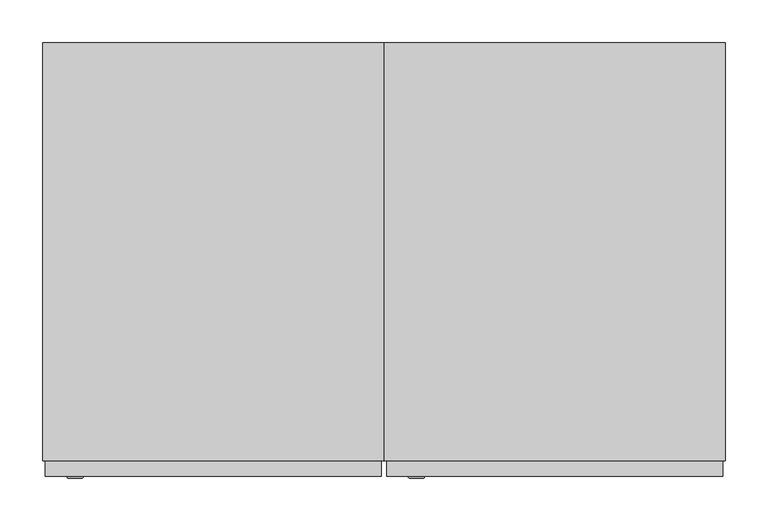
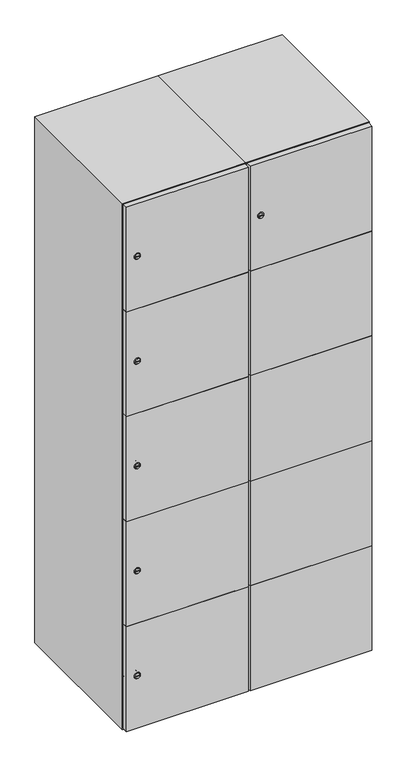
"""IFC4 building model written with IfcOpenShell, lengths in millimetres: furniture geometry."""

import ifcopenshell
import ifcopenshell.guid

model = None  # the IFC model being written
_history = None  # IfcOwnerHistory: only IFC2X3 demands one
_inside = {}  # id of a spatial element -> (the spatial element, [elements in it])
_under = {}  # id of a project, library or spatial element -> (it, [spatial elements below it])
_declared = {}  # id of a project -> (the project, [libraries it declares])
_typed = {}  # id of a type object -> (the type object, [elements of that type])
_made_of = {}  # id of a material, layer set ... -> (it, [elements and type objects made of it])


def new_model(schema):
    """Start an empty IFC model of exactly this schema.

    Asked for "IFC4X3", IfcOpenShell would pick the latest addendum, in which some entities
    have other attributes; the version numbers below select the first issue.
    IFC2X3 requires an IfcOwnerHistory on every rooted entity: one is made here for all.
    """
    global model, _history
    if schema == "IFC4X3":
        model = ifcopenshell.file(schema_version=(4, 3, 0, 0))
    else:
        model = ifcopenshell.file(schema=schema)
    _inside.clear()
    _under.clear()
    _declared.clear()
    _typed.clear()
    _made_of.clear()
    _history = None
    if model.schema == "IFC2X3":
        org = make("IfcOrganization", Name="unknown")
        user = make(
            "IfcPersonAndOrganization",
            ThePerson=make("IfcPerson", FamilyName="unknown"),
            TheOrganization=org,
        )
        app = make(
            "IfcApplication",
            ApplicationDeveloper=org,
            Version="unknown",
            ApplicationFullName="unknown",
            ApplicationIdentifier="unknown",
        )
        _history = make(
            "IfcOwnerHistory",
            OwningUser=user,
            OwningApplication=app,
            ChangeAction="ADDED",
            CreationDate=0,
        )
    return model


def make(cls, **values):
    """One entity of the class cls with the attributes given. An attribute that is None is left unset."""
    return model.create_entity(
        cls, **{name: value for name, value in values.items() if value is not None}
    )


def rooted(cls, **values):
    """An entity with a GlobalId (a new one), such as an element, a storey or a relation."""
    return make(cls, GlobalId=ifcopenshell.guid.new(), OwnerHistory=_history, **values)


def si_unit(unit_type, name, prefix=None):
    """IfcSIUnit, for example si_unit("LENGTHUNIT", "METRE", prefix="MILLI")."""
    return make("IfcSIUnit", UnitType=unit_type, Prefix=prefix, Name=name)


def assignment(units):
    """IfcUnitAssignment: the units of a project."""
    return None if units is None else make("IfcUnitAssignment", Units=units)


def point(xyz):
    """IfcCartesianPoint."""
    return None if xyz is None else make("IfcCartesianPoint", Coordinates=xyz)


def direction(xyz):
    """IfcDirection."""
    return None if xyz is None else make("IfcDirection", DirectionRatios=xyz)


def frame(location, z_axis=None, x_axis=None):
    """IfcAxis2Placement3D, a coordinate frame: its origin and axes. An axis left out is left unset."""
    return make(
        "IfcAxis2Placement3D",
        Location=point(location),
        Axis=direction(z_axis),
        RefDirection=direction(x_axis),
    )


def frame_2d(location, x_axis=None):
    """IfcAxis2Placement2D, a coordinate frame in the plane: its origin and x axis."""
    return make(
        "IfcAxis2Placement2D", Location=point(location), RefDirection=direction(x_axis)
    )


def origin():
    """The frame at (0, 0, 0) with its axes left unset."""
    return frame((0.0, 0.0, 0.0))


def place(relative_to, where):
    """IfcLocalPlacement: puts the frame where relative to a parent placement (None: the world)."""
    return make(
        "IfcLocalPlacement", PlacementRelTo=relative_to, RelativePlacement=where
    )


def context(
    kind, dimensions, precision=None, world=None, true_north=None, identifier=None
):
    """IfcGeometricRepresentationContext, for example the 3D "Model" context."""
    return make(
        "IfcGeometricRepresentationContext",
        ContextIdentifier=identifier,
        ContextType=kind,
        CoordinateSpaceDimension=dimensions,
        Precision=precision,
        WorldCoordinateSystem=world,
        TrueNorth=true_north,
    )


def project(units=None, contexts=None):
    """IfcProject with its units and contexts."""
    return rooted(
        "IfcProject",
        Name="project",
        RepresentationContexts=contexts,
        UnitsInContext=assignment(units),
    )


def spatial(cls, under=None, at=None, **own):
    """A site, building, storey or space (cls), placed at a placement, below another one or the project."""
    s = rooted(cls, ObjectPlacement=at, **own)
    if under is not None:
        _under.setdefault(under.id(), (under, []))[1].append(s)
    return s


def polyline(points):
    """IfcPolyline through the points."""
    return make("IfcPolyline", Points=[point(p) for p in points])


def circle_curve(where, radius):
    """IfcCircle in the frame where."""
    return make("IfcCircle", Position=where, Radius=radius)


def trimmed(basis, trim1, trim2, sense, master):
    """IfcTrimmedCurve: the piece of a basis curve between two trims."""
    return make(
        "IfcTrimmedCurve",
        BasisCurve=basis,
        Trim1=trim1,
        Trim2=trim2,
        SenseAgreement=sense,
        MasterRepresentation=master,
    )


def segment(curve, same_sense, transition):
    """IfcCompositeCurveSegment."""
    return make(
        "IfcCompositeCurveSegment",
        Transition=transition,
        SameSense=same_sense,
        ParentCurve=curve,
    )


def composite_curve(segments, self_intersect=None):
    """IfcCompositeCurve: segments joined end to end."""
    return make("IfcCompositeCurve", Segments=segments, SelfIntersect=self_intersect)


def outline(outer, holes=None, kind="AREA"):
    """IfcArbitraryClosedProfileDef: a profile drawn as a closed curve; with holes, ...WithVoids."""
    if holes is None:
        return make("IfcArbitraryClosedProfileDef", ProfileType=kind, OuterCurve=outer)
    return make(
        "IfcArbitraryProfileDefWithVoids",
        ProfileType=kind,
        OuterCurve=outer,
        InnerCurves=holes,
    )


def extrude(swept, where, along, depth):
    """IfcExtrudedAreaSolid: the profile swept, set in the frame where, extruded along a direction by depth."""
    return make(
        "IfcExtrudedAreaSolid",
        SweptArea=swept,
        Position=where,
        ExtrudedDirection=direction(along),
        Depth=depth,
    )


def faces_of(points, faces, orient=None, outer=None):
    """IfcFace entities. A face is a list of loops; a loop is a list of indices into points, from 0.

    orient and outer hold one flag for each loop. By default every Orientation is true, the
    first loop of a face is its IfcFaceOuterBound and the others are IfcFaceBound.
    """
    made = []
    for i, loops in enumerate(faces):
        bounds = []
        for j, loop in enumerate(loops):
            is_outer = j == 0 if outer is None else outer[i][j]
            bounds.append(
                make(
                    "IfcFaceOuterBound" if is_outer else "IfcFaceBound",
                    Bound=make("IfcPolyLoop", Polygon=[points[k] for k in loop]),
                    Orientation=True if orient is None else orient[i][j],
                )
            )
        made.append(make("IfcFace", Bounds=bounds))
    return made


def faceted_brep(points, faces, orient=None, outer=None, voids=None):
    """IfcFacetedBrep: a solid bounded by flat faces; with voids (closed shells), ...WithVoids."""
    shared = [point(p) for p in points]
    hull = make("IfcClosedShell", CfsFaces=faces_of(shared, faces, orient, outer))
    if voids is None:
        return make("IfcFacetedBrep", Outer=hull)
    return make(
        "IfcFacetedBrepWithVoids",
        Outer=hull,
        Voids=[
            make(cls, CfsFaces=faces_of(shared, fs, o, b)) for cls, fs, o, b in voids
        ],
    )


def shape(context_of_items, identifier, shape_type, items):
    """IfcShapeRepresentation: the items that make up one representation, for example the "Body"."""
    return make(
        "IfcShapeRepresentation",
        ContextOfItems=context_of_items,
        RepresentationIdentifier=identifier,
        RepresentationType=shape_type,
        Items=items,
    )


def source(mapping_origin, context_of_items, identifier, shape_type, items):
    """IfcRepresentationMap: a shape defined once, which mapped items show again and again."""
    return make(
        "IfcRepresentationMap",
        MappingOrigin=mapping_origin,
        MappedRepresentation=shape(context_of_items, identifier, shape_type, items),
    )


def transform(
    local_origin,
    x_axis=None,
    y_axis=None,
    z_axis=None,
    scale=None,
    scale2=None,
    scale3=None,
    uniform=True,
):
    """IfcCartesianTransformationOperator3D, or its non-uniform kind. x_axis, y_axis, z_axis: its Axis1, 2, 3."""
    if uniform:
        return make(
            "IfcCartesianTransformationOperator3D",
            Axis1=direction(x_axis),
            Axis2=direction(y_axis),
            LocalOrigin=point(local_origin),
            Scale=scale,
            Axis3=direction(z_axis),
        )
    return make(
        "IfcCartesianTransformationOperator3DnonUniform",
        Axis1=direction(x_axis),
        Axis2=direction(y_axis),
        LocalOrigin=point(local_origin),
        Scale=scale,
        Axis3=direction(z_axis),
        Scale2=scale2,
        Scale3=scale3,
    )


def mapped(mapping_source, mapping_target):
    """IfcMappedItem: shows the shape of a source again, moved by a transform."""
    return make(
        "IfcMappedItem", MappingSource=mapping_source, MappingTarget=mapping_target
    )


def made_of(thing, what):
    """Note that an element or type object is made of a material, layer set ...; save() writes the relation."""
    if what is not None:
        _made_of.setdefault(what.id(), (what, []))[1].append(thing)
    return thing


def element(
    cls,
    number,
    at=None,
    inside=None,
    cuts=None,
    type_object=None,
    material=None,
    context=None,
    identifier="Body",
    shape_type=None,
    held_by="IfcProductDefinitionShape",
    body=None,
    shapes=None,
    **own,
):
    """One element of the class cls, such as IfcWall. Its Tag is "e" and its number.

    at: its placement. inside: the storey or other place that contains it. cuts: it is an
    opening in that element (IfcRelVoidsElement). A single representation is given by context,
    identifier, shape_type and body (its items); several are given by shapes. held_by: the class
    of the entity that holds the representations. save() writes the other relations.
    """
    e = rooted(cls, Tag="e%d" % number, ObjectPlacement=at, **own)
    if body is not None:
        shapes = [shape(context, identifier, shape_type, body)]
    if shapes is not None:
        e.Representation = make(held_by, Representations=shapes)
    if inside is not None:
        _inside.setdefault(inside.id(), (inside, []))[1].append(e)
    if cuts is not None:
        rooted(
            "IfcRelVoidsElement", RelatingBuildingElement=cuts, RelatedOpeningElement=e
        )
    if type_object is not None:
        _typed.setdefault(type_object.id(), (type_object, []))[1].append(e)
    return made_of(e, material)


def aggregate(whole, parts):
    """IfcRelAggregates: a whole, such as a stair, and the parts it consists of."""
    return rooted("IfcRelAggregates", RelatingObject=whole, RelatedObjects=parts)


def save(model, path):
    """Write the relations noted so far, then the file.

    IfcRelAggregates (storeys below a building ...), IfcRelContainedInSpatialStructure (elements
    in a storey), IfcRelDefinesByType, IfcRelAssociatesMaterial and IfcRelDeclares: one each for
    every whole, place, type object, material and project.
    """
    for whole, parts in _under.values():
        aggregate(whole, parts)
    for where, things in _inside.values():
        rooted(
            "IfcRelContainedInSpatialStructure",
            RelatedElements=things,
            RelatingStructure=where,
        )
    for kind, things in _typed.values():
        rooted("IfcRelDefinesByType", RelatedObjects=things, RelatingType=kind)
    for what, things in _made_of.values():
        rooted("IfcRelAssociatesMaterial", RelatedObjects=things, RelatingMaterial=what)
    for by, libraries in _declared.values():
        rooted("IfcRelDeclares", RelatingContext=by, RelatedDefinitions=libraries)
    model.write(path)


def plane_surface(at):
    """IfcPlane: the flat surface through the origin of the frame at, square to its z axis."""
    return make("IfcPlane", Position=at)


def revolved_surface(curve, axis_point, axis_direction):
    """IfcSurfaceOfRevolution: the curve turned about the line through axis_point along axis_direction."""
    return make(
        "IfcSurfaceOfRevolution",
        SweptCurve=make("IfcArbitraryOpenProfileDef", ProfileType="CURVE", Curve=curve),
        AxisPosition=make("IfcAxis1Placement", Location=point(axis_point), Axis=direction(axis_direction)),
    )


def advanced_brep(points, edges, surfaces, faces):
    """IfcAdvancedBrep: a solid bounded by faces that lie on surfaces and meet in shared edges.

    An edge is (start, end): straight between two places in points (the first is 0);
    or (start, end, curve); or (start, end, curve, False) where it runs against its curve.
    A face is (place in surfaces, loops), or (place, loops, False) where it looks against
    its surface's normal. A loop lists edges by number (the first is 1), with a minus sign
    where the edge is run from its end to its start. The first loop is the outer one.
    """
    corners = [point(p) for p in points]
    vertices = [make("IfcVertexPoint", VertexGeometry=c) for c in corners]
    made = []
    for start, end, *more in edges:
        made.append(
            make(
                "IfcEdgeCurve",
                EdgeStart=vertices[start],
                EdgeEnd=vertices[end],
                EdgeGeometry=more[0] if more else make("IfcPolyline", Points=[corners[start], corners[end]]),
                SameSense=more[1] if len(more) > 1 else True,
            )
        )
    hull = []
    for where, loops, *sense in faces:
        bounds = []
        for j, loop in enumerate(loops):
            ring = [make("IfcOrientedEdge", EdgeElement=made[abs(k) - 1], Orientation=k > 0) for k in loop]
            bounds.append(
                make(
                    "IfcFaceOuterBound" if j == 0 else "IfcFaceBound",
                    Bound=make("IfcEdgeLoop", EdgeList=ring),
                    Orientation=True,
                )
            )
        hull.append(make("IfcAdvancedFace", Bounds=bounds, FaceSurface=surfaces[where], SameSense=sense[0] if sense else True))
    return make("IfcAdvancedBrep", Outer=make("IfcClosedShell", CfsFaces=hull))


def furniture_1348bd7e(model_context):
    return source(origin(), model_context, "Body", "SolidModel", [
        advanced_brep(
        [(246.5, -265.2, 1652.6), (229.5, -265.2, 1652.6), (233.0, -265.2, 1651.35), (233.0, -265.2, 1653.85), (243.0, -265.2, 1653.85), (243.0, -265.2, 1651.35), (248.5, -263.0, 1652.6), (227.5, -263.0, 1652.6), (233.0, -263.0, 1653.85), (233.0, -263.0, 1651.35), (243.0, -263.0, 1651.35), (243.0, -263.0, 1653.85)],
        [
            (0, 1, circle_curve(frame((238.0, -265.2, 1652.6), z_axis=(0.0, -1.0, 0.0), x_axis=(1.0, 0.0, 0.0)), 8.5)),
            (1, 0, circle_curve(frame((238.0, -265.2, 1652.6), z_axis=(0.0, -1.0, 0.0), x_axis=(-1.0, 0.0, 0.0)), 8.5)),
            (2, 3),
            (3, 4),
            (4, 5),
            (5, 2),
            (6, 7, circle_curve(frame((238.0, -263.0, 1652.6), z_axis=(0.0, 1.0, 0.0), x_axis=(-1.0, 0.0, 0.0)), 10.5)),
            (7, 6, circle_curve(frame((238.0, -263.0, 1652.6), z_axis=(0.0, 1.0, 0.0), x_axis=(1.0, 0.0, 0.0)), 10.5)),
            (8, 9),
            (9, 10),
            (10, 11),
            (11, 8),
            (0, 6),
            (7, 1),
            (8, 3),
            (2, 9),
            (11, 4),
            (10, 5),
        ],
        [
            plane_surface(frame((238.0, -265.2, 1652.6), z_axis=(0.0, -1.0, 0.0), x_axis=(0.0, 0.0, 1.0))),
            plane_surface(frame((238.0, -263.0, 1652.6), z_axis=(0.0, 1.0, 0.0), x_axis=(0.0, 0.0, 1.0))),
            revolved_surface(polyline([(246.5, -265.2, 1652.6), (248.5, -263.0, 1652.6)]), (238.0, -274.55, 1652.6), (0.0, 1.0, 0.0)),
            revolved_surface(polyline([(229.5, -265.2, 1652.6), (227.5, -263.0, 1652.6)]), (238.0, -274.55, 1652.6), (0.0, 1.0, 0.0)),
            plane_surface(frame((233.0, -263.0, 1651.35), z_axis=(1.0, 0.0, 0.0), x_axis=(0.0, -1.0, 0.0))),
            plane_surface(frame((233.0, -263.0, 1653.85), z_axis=(0.0, 0.0, -1.0), x_axis=(0.0, -1.0, 0.0))),
            plane_surface(frame((243.0, -263.0, 1653.85), z_axis=(-1.0, 0.0, 0.0), x_axis=(0.0, -1.0, 0.0))),
            plane_surface(frame((243.0, -263.0, 1651.35), z_axis=(0.0, 0.0, 1.0), x_axis=(0.0, -1.0, 0.0))),
        ],
        [
            (0, [[1, 2], [3, 4, 5, 6]]),
            (1, [[7, 8], [9, 10, 11, 12]]),
            (2, [[-1, 13, -8, 14]]),
            (3, [[-2, -14, -7, -13]]),
            (4, [[15, -3, 16, -9]]),
            (5, [[-15, -12, 17, -4]]),
            (6, [[-17, -11, 18, -5]]),
            (7, [[-16, -6, -18, -10]]),
        ],
    ),
        extrude(outline(polyline([(597.0, -245.0), (597.0, -263.0), (203.0, -263.0), (203.0, -245.0), (597.0, -245.0)])), frame((0.0, 0.0, 755.1), z_axis=(0.0, 0.0, 1.0), x_axis=(1.0, 0.0, 0.0)), (0.0, 0.0, 1.0), 359.8),
        extrude(outline(polyline([(597.0, -245.0), (597.0, -263.0), (203.0, -263.0), (203.0, -245.0), (597.0, -245.0)])), frame((0.0, 0.0, 396.3), z_axis=(0.0, 0.0, 1.0), x_axis=(1.0, 0.0, 0.0)), (0.0, 0.0, 1.0), 359.8),
        extrude(outline(polyline([(597.0, -245.0), (597.0, -263.0), (203.0, -263.0), (203.0, -245.0), (597.0, -245.0)])), frame((0.0, 0.0, 1113.9), z_axis=(0.0, 0.0, 1.0), x_axis=(1.0, 0.0, 0.0)), (0.0, 0.0, 1.0), 358.8),
        extrude(outline(polyline([(203.0, -263.0), (203.0, -245.0), (597.0, -245.0), (597.0, -263.0), (203.0, -263.0)])), frame((0.0, 0.0, 1473.7), z_axis=(0.0, 0.0, 1.0), x_axis=(1.0, 0.0, 0.0)), (0.0, 0.0, 1.0), 358.3),
        extrude(outline(polyline([(597.0, -245.0), (597.0, -263.0), (203.0, -263.0), (203.0, -245.0), (597.0, -245.0)])), frame((0.0, 0.0, 38.0), z_axis=(0.0, 0.0, 1.0), x_axis=(1.0, 0.0, 0.0)), (0.0, 0.0, 1.0), 359.3),
        extrude(outline(polyline([(579.6, 242.0), (579.6, -227.0), (220.4, -227.0), (220.4, 242.0), (579.6, 242.0)])), frame((0.0, 0.0, 1446.68), z_axis=(0.0, 0.0, 1.0), x_axis=(1.0, 0.0, 0.0)), (0.0, 0.0, 1.0), 20.4),
        extrude(outline(polyline([(579.6, 242.0), (579.6, -227.0), (220.4, -227.0), (220.4, 242.0), (579.6, 242.0)])), frame((0.0, 0.0, 1098.76), z_axis=(0.0, 0.0, 1.0), x_axis=(1.0, 0.0, 0.0)), (0.0, 0.0, 1.0), 20.4),
        extrude(outline(polyline([(579.6, 242.0), (579.6, -227.0), (220.4, -227.0), (220.4, 242.0), (579.6, 242.0)])), frame((0.0, 0.0, 750.84), z_axis=(0.0, 0.0, 1.0), x_axis=(1.0, 0.0, 0.0)), (0.0, 0.0, 1.0), 20.4),
        extrude(outline(polyline([(220.4, 242.0), (579.6, 242.0), (579.6, -227.0), (220.4, -227.0), (220.4, 242.0)])), frame((0.0, 0.0, 402.92), z_axis=(0.0, 0.0, 1.0), x_axis=(1.0, 0.0, 0.0)), (0.0, 0.0, 1.0), 20.4),
        faceted_brep([(600.0, -245.0, 35.0), (600.0, -245.0, 1835.0), (200.0, -245.0, 1835.0), (200.0, -245.0, 35.0), (579.6, -245.0, 1804.8), (579.6, -245.0, 65.2), (220.4, -245.0, 65.2), (220.4, -245.0, 1804.8), (600.0, 245.0, 35.0), (200.0, 245.0, 35.0), (600.0, 245.0, 1835.0), (200.0, 245.0, 1835.0), (579.6, 242.0, 1804.8), (579.6, 242.0, 65.2), (200.0, 245.0, 1804.8), (220.4, 242.0, 1804.8), (220.4, 242.0, 65.2)], [[[0, 1, 2, 3], [4, 5, 6, 7]], [[8, 0, 3, 9]], [[1, 0, 8, 10]], [[1, 10, 11, 2]], [[4, 12, 13, 5]], [[9, 3, 2, 11, 14]], [[10, 8, 9, 14, 11]], [[12, 15, 16, 13]], [[15, 7, 6, 16]], [[4, 7, 15, 12]], [[6, 5, 13, 16]]]),
        extrude(outline(composite_curve([segment(trimmed(circle_curve(frame_2d((217.4, -188.7989466)), 7.0), [point((224.4, -188.7989466))], [point((210.4, -188.7989466))], False, "CARTESIAN"), True, "CONTINUOUS"), segment(polyline([(210.4, -188.7989466), (210.4, -160.7989466)]), True, "CONTINUOUS"), segment(trimmed(circle_curve(frame_2d((217.4, -160.7989466)), 7.0), [point((210.4, -160.7989466))], [point((224.4, -160.7989466))], False, "CARTESIAN"), True, "CONTINUOUS"), segment(polyline([(224.4, -160.7989466), (224.4, -188.7989466)]), True, "CONTINUOUS")], self_intersect=False)), frame((0.0, -245.0, 0.0), z_axis=(0.0, 1.0, 0.0), x_axis=(0.0, 0.0, 1.0)), (0.0, 0.0, 1.0), 2.0),
        advanced_brep(
        [(-153.5, -265.2, 217.4), (-170.5, -265.2, 217.4), (-167.0, -265.2, 216.15), (-167.0, -265.2, 218.65), (-157.0, -265.2, 218.65), (-157.0, -265.2, 216.15), (-151.5, -263.0, 217.4), (-172.5, -263.0, 217.4), (-167.0, -263.0, 218.65), (-167.0, -263.0, 216.15), (-157.0, -263.0, 216.15), (-157.0, -263.0, 218.65)],
        [
            (0, 1, circle_curve(frame((-162.0, -265.2, 217.4), z_axis=(0.0, -1.0, 0.0), x_axis=(1.0, 0.0, 0.0)), 8.5)),
            (1, 0, circle_curve(frame((-162.0, -265.2, 217.4), z_axis=(0.0, -1.0, 0.0), x_axis=(-1.0, 0.0, 0.0)), 8.5)),
            (2, 3),
            (3, 4),
            (4, 5),
            (5, 2),
            (6, 7, circle_curve(frame((-162.0, -263.0, 217.4), z_axis=(0.0, 1.0, 0.0), x_axis=(-1.0, 0.0, 0.0)), 10.5)),
            (7, 6, circle_curve(frame((-162.0, -263.0, 217.4), z_axis=(0.0, 1.0, 0.0), x_axis=(1.0, 0.0, 0.0)), 10.5)),
            (8, 9),
            (9, 10),
            (10, 11),
            (11, 8),
            (0, 6),
            (7, 1),
            (8, 3),
            (2, 9),
            (11, 4),
            (10, 5),
        ],
        [
            plane_surface(frame((-162.0, -265.2, 217.4), z_axis=(0.0, -1.0, 0.0), x_axis=(0.0, 0.0, 1.0))),
            plane_surface(frame((-162.0, -263.0, 217.4), z_axis=(0.0, 1.0, 0.0), x_axis=(0.0, 0.0, 1.0))),
            revolved_surface(polyline([(-153.5, -265.2, 217.4), (-151.5, -263.0, 217.4)]), (-162.0, -274.55, 217.4), (0.0, 1.0, 0.0)),
            revolved_surface(polyline([(-170.5, -265.2, 217.4), (-172.5, -263.0, 217.4)]), (-162.0, -274.55, 217.4), (0.0, 1.0, 0.0)),
            plane_surface(frame((-167.0, -263.0, 216.15), z_axis=(1.0, 0.0, 0.0), x_axis=(0.0, -1.0, 0.0))),
            plane_surface(frame((-167.0, -263.0, 218.65), z_axis=(0.0, 0.0, -1.0), x_axis=(0.0, -1.0, 0.0))),
            plane_surface(frame((-157.0, -263.0, 218.65), z_axis=(-1.0, 0.0, 0.0), x_axis=(0.0, -1.0, 0.0))),
            plane_surface(frame((-157.0, -263.0, 216.15), z_axis=(0.0, 0.0, 1.0), x_axis=(0.0, -1.0, 0.0))),
        ],
        [
            (0, [[1, 2], [3, 4, 5, 6]]),
            (1, [[7, 8], [9, 10, 11, 12]]),
            (2, [[-1, 13, -8, 14]]),
            (3, [[-2, -14, -7, -13]]),
            (4, [[15, -3, 16, -9]]),
            (5, [[-15, -12, 17, -4]]),
            (6, [[-17, -11, 18, -5]]),
            (7, [[-16, -6, -18, -10]]),
        ],
    ),
        extrude(outline(composite_curve([segment(trimmed(circle_curve(frame_2d((576.2, -188.7989466)), 7.0), [point((583.2, -188.7989466))], [point((569.2, -188.7989466))], False, "CARTESIAN"), True, "CONTINUOUS"), segment(polyline([(569.2, -188.7989466), (569.2, -160.7989466)]), True, "CONTINUOUS"), segment(trimmed(circle_curve(frame_2d((576.2, -160.7989466)), 7.0), [point((569.2, -160.7989466))], [point((583.2, -160.7989466))], False, "CARTESIAN"), True, "CONTINUOUS"), segment(polyline([(583.2, -160.7989466), (583.2, -188.7989466)]), True, "CONTINUOUS")], self_intersect=False)), frame((0.0, -245.0, 0.0), z_axis=(0.0, 1.0, 0.0), x_axis=(0.0, 0.0, 1.0)), (0.0, 0.0, 1.0), 2.0),
        advanced_brep(
        [(-153.5, -265.2, 576.2), (-170.5, -265.2, 576.2), (-167.0, -265.2, 574.95), (-167.0, -265.2, 577.45), (-157.0, -265.2, 577.45), (-157.0, -265.2, 574.95), (-151.5, -263.0, 576.2), (-172.5, -263.0, 576.2), (-167.0, -263.0, 577.45), (-167.0, -263.0, 574.95), (-157.0, -263.0, 574.95), (-157.0, -263.0, 577.45)],
        [
            (0, 1, circle_curve(frame((-162.0, -265.2, 576.2), z_axis=(0.0, -1.0, 0.0), x_axis=(1.0, 0.0, 0.0)), 8.5)),
            (1, 0, circle_curve(frame((-162.0, -265.2, 576.2), z_axis=(0.0, -1.0, 0.0), x_axis=(-1.0, 0.0, 0.0)), 8.5)),
            (2, 3),
            (3, 4),
            (4, 5),
            (5, 2),
            (6, 7, circle_curve(frame((-162.0, -263.0, 576.2), z_axis=(0.0, 1.0, 0.0), x_axis=(-1.0, 0.0, 0.0)), 10.5)),
            (7, 6, circle_curve(frame((-162.0, -263.0, 576.2), z_axis=(0.0, 1.0, 0.0), x_axis=(1.0, 0.0, 0.0)), 10.5)),
            (8, 9),
            (9, 10),
            (10, 11),
            (11, 8),
            (0, 6),
            (7, 1),
            (8, 3),
            (2, 9),
            (11, 4),
            (10, 5),
        ],
        [
            plane_surface(frame((-162.0, -265.2, 576.2), z_axis=(0.0, -1.0, 0.0), x_axis=(0.0, 0.0, 1.0))),
            plane_surface(frame((-162.0, -263.0, 576.2), z_axis=(0.0, 1.0, 0.0), x_axis=(0.0, 0.0, 1.0))),
            revolved_surface(polyline([(-153.5, -265.2, 576.2), (-151.5, -263.0, 576.2)]), (-162.0, -274.55, 576.2), (0.0, 1.0, 0.0)),
            revolved_surface(polyline([(-170.5, -265.2, 576.2), (-172.5, -263.0, 576.2)]), (-162.0, -274.55, 576.2), (0.0, 1.0, 0.0)),
            plane_surface(frame((-167.0, -263.0, 574.95), z_axis=(1.0, 0.0, 0.0), x_axis=(0.0, -1.0, 0.0))),
            plane_surface(frame((-167.0, -263.0, 577.45), z_axis=(0.0, 0.0, -1.0), x_axis=(0.0, -1.0, 0.0))),
            plane_surface(frame((-157.0, -263.0, 577.45), z_axis=(-1.0, 0.0, 0.0), x_axis=(0.0, -1.0, 0.0))),
            plane_surface(frame((-157.0, -263.0, 574.95), z_axis=(0.0, 0.0, 1.0), x_axis=(0.0, -1.0, 0.0))),
        ],
        [
            (0, [[1, 2], [3, 4, 5, 6]]),
            (1, [[7, 8], [9, 10, 11, 12]]),
            (2, [[-1, 13, -8, 14]]),
            (3, [[-2, -14, -7, -13]]),
            (4, [[15, -3, 16, -9]]),
            (5, [[-15, -12, 17, -4]]),
            (6, [[-17, -11, 18, -5]]),
            (7, [[-16, -6, -18, -10]]),
        ],
    ),
        extrude(outline(composite_curve([segment(trimmed(circle_curve(frame_2d((935.0, -188.7989466)), 7.0), [point((942.0, -188.7989466))], [point((928.0, -188.7989466))], False, "CARTESIAN"), True, "CONTINUOUS"), segment(polyline([(928.0, -188.7989466), (928.0, -160.7989466)]), True, "CONTINUOUS"), segment(trimmed(circle_curve(frame_2d((935.0, -160.7989466)), 7.0), [point((928.0, -160.7989466))], [point((942.0, -160.7989466))], False, "CARTESIAN"), True, "CONTINUOUS"), segment(polyline([(942.0, -160.7989466), (942.0, -188.7989466)]), True, "CONTINUOUS")], self_intersect=False)), frame((0.0, -245.0, 0.0), z_axis=(0.0, 1.0, 0.0), x_axis=(0.0, 0.0, 1.0)), (0.0, 0.0, 1.0), 2.0),
        advanced_brep(
        [(-153.5, -265.2, 935.0), (-170.5, -265.2, 935.0), (-167.0, -265.2, 933.75), (-167.0, -265.2, 936.25), (-157.0, -265.2, 936.25), (-157.0, -265.2, 933.75), (-151.5, -263.0, 935.0), (-172.5, -263.0, 935.0), (-167.0, -263.0, 936.25), (-167.0, -263.0, 933.75), (-157.0, -263.0, 933.75), (-157.0, -263.0, 936.25)],
        [
            (0, 1, circle_curve(frame((-162.0, -265.2, 935.0), z_axis=(0.0, -1.0, 0.0), x_axis=(1.0, 0.0, 0.0)), 8.5)),
            (1, 0, circle_curve(frame((-162.0, -265.2, 935.0), z_axis=(0.0, -1.0, 0.0), x_axis=(-1.0, 0.0, 0.0)), 8.5)),
            (2, 3),
            (3, 4),
            (4, 5),
            (5, 2),
            (6, 7, circle_curve(frame((-162.0, -263.0, 935.0), z_axis=(0.0, 1.0, 0.0), x_axis=(-1.0, 0.0, 0.0)), 10.5)),
            (7, 6, circle_curve(frame((-162.0, -263.0, 935.0), z_axis=(0.0, 1.0, 0.0), x_axis=(1.0, 0.0, 0.0)), 10.5)),
            (8, 9),
            (9, 10),
            (10, 11),
            (11, 8),
            (0, 6),
            (7, 1),
            (8, 3),
            (2, 9),
            (11, 4),
            (10, 5),
        ],
        [
            plane_surface(frame((-162.0, -265.2, 935.0), z_axis=(0.0, -1.0, 0.0), x_axis=(0.0, 0.0, 1.0))),
            plane_surface(frame((-162.0, -263.0, 935.0), z_axis=(0.0, 1.0, 0.0), x_axis=(0.0, 0.0, 1.0))),
            revolved_surface(polyline([(-153.5, -265.2, 935.0), (-151.5, -263.0, 935.0)]), (-162.0, -274.55, 935.0), (0.0, 1.0, 0.0)),
            revolved_surface(polyline([(-170.5, -265.2, 935.0), (-172.5, -263.0, 935.0)]), (-162.0, -274.55, 935.0), (0.0, 1.0, 0.0)),
            plane_surface(frame((-167.0, -263.0, 933.75), z_axis=(1.0, 0.0, 0.0), x_axis=(0.0, -1.0, 0.0))),
            plane_surface(frame((-167.0, -263.0, 936.25), z_axis=(0.0, 0.0, -1.0), x_axis=(0.0, -1.0, 0.0))),
            plane_surface(frame((-157.0, -263.0, 936.25), z_axis=(-1.0, 0.0, 0.0), x_axis=(0.0, -1.0, 0.0))),
            plane_surface(frame((-157.0, -263.0, 933.75), z_axis=(0.0, 0.0, 1.0), x_axis=(0.0, -1.0, 0.0))),
        ],
        [
            (0, [[1, 2], [3, 4, 5, 6]]),
            (1, [[7, 8], [9, 10, 11, 12]]),
            (2, [[-1, 13, -8, 14]]),
            (3, [[-2, -14, -7, -13]]),
            (4, [[15, -3, 16, -9]]),
            (5, [[-15, -12, 17, -4]]),
            (6, [[-17, -11, 18, -5]]),
            (7, [[-16, -6, -18, -10]]),
        ],
    ),
        extrude(outline(composite_curve([segment(trimmed(circle_curve(frame_2d((1293.8, -188.7989466)), 7.0), [point((1300.8, -188.7989466))], [point((1286.8, -188.7989466))], False, "CARTESIAN"), True, "CONTINUOUS"), segment(polyline([(1286.8, -188.7989466), (1286.8, -160.7989466)]), True, "CONTINUOUS"), segment(trimmed(circle_curve(frame_2d((1293.8, -160.7989466)), 7.0), [point((1286.8, -160.7989466))], [point((1300.8, -160.7989466))], False, "CARTESIAN"), True, "CONTINUOUS"), segment(polyline([(1300.8, -160.7989466), (1300.8, -188.7989466)]), True, "CONTINUOUS")], self_intersect=False)), frame((0.0, -245.0, 0.0), z_axis=(0.0, 1.0, 0.0), x_axis=(0.0, 0.0, 1.0)), (0.0, 0.0, 1.0), 2.0),
        advanced_brep(
        [(-153.5, -265.2, 1293.8), (-170.5, -265.2, 1293.8), (-167.0, -265.2, 1292.55), (-167.0, -265.2, 1295.05), (-157.0, -265.2, 1295.05), (-157.0, -265.2, 1292.55), (-151.5, -263.0, 1293.8), (-172.5, -263.0, 1293.8), (-167.0, -263.0, 1295.05), (-167.0, -263.0, 1292.55), (-157.0, -263.0, 1292.55), (-157.0, -263.0, 1295.05)],
        [
            (0, 1, circle_curve(frame((-162.0, -265.2, 1293.8), z_axis=(0.0, -1.0, 0.0), x_axis=(1.0, 0.0, 0.0)), 8.5)),
            (1, 0, circle_curve(frame((-162.0, -265.2, 1293.8), z_axis=(0.0, -1.0, 0.0), x_axis=(-1.0, 0.0, 0.0)), 8.5)),
            (2, 3),
            (3, 4),
            (4, 5),
            (5, 2),
            (6, 7, circle_curve(frame((-162.0, -263.0, 1293.8), z_axis=(0.0, 1.0, 0.0), x_axis=(-1.0, 0.0, 0.0)), 10.5)),
            (7, 6, circle_curve(frame((-162.0, -263.0, 1293.8), z_axis=(0.0, 1.0, 0.0), x_axis=(1.0, 0.0, 0.0)), 10.5)),
            (8, 9),
            (9, 10),
            (10, 11),
            (11, 8),
            (0, 6),
            (7, 1),
            (8, 3),
            (2, 9),
            (11, 4),
            (10, 5),
        ],
        [
            plane_surface(frame((-162.0, -265.2, 1293.8), z_axis=(0.0, -1.0, 0.0), x_axis=(0.0, 0.0, 1.0))),
            plane_surface(frame((-162.0, -263.0, 1293.8), z_axis=(0.0, 1.0, 0.0), x_axis=(0.0, 0.0, 1.0))),
            revolved_surface(polyline([(-153.5, -265.2, 1293.8), (-151.5, -263.0, 1293.8)]), (-162.0, -274.55, 1293.8), (0.0, 1.0, 0.0)),
            revolved_surface(polyline([(-170.5, -265.2, 1293.8), (-172.5, -263.0, 1293.8)]), (-162.0, -274.55, 1293.8), (0.0, 1.0, 0.0)),
            plane_surface(frame((-167.0, -263.0, 1292.55), z_axis=(1.0, 0.0, 0.0), x_axis=(0.0, -1.0, 0.0))),
            plane_surface(frame((-167.0, -263.0, 1295.05), z_axis=(0.0, 0.0, -1.0), x_axis=(0.0, -1.0, 0.0))),
            plane_surface(frame((-157.0, -263.0, 1295.05), z_axis=(-1.0, 0.0, 0.0), x_axis=(0.0, -1.0, 0.0))),
            plane_surface(frame((-157.0, -263.0, 1292.55), z_axis=(0.0, 0.0, 1.0), x_axis=(0.0, -1.0, 0.0))),
        ],
        [
            (0, [[1, 2], [3, 4, 5, 6]]),
            (1, [[7, 8], [9, 10, 11, 12]]),
            (2, [[-1, 13, -8, 14]]),
            (3, [[-2, -14, -7, -13]]),
            (4, [[15, -3, 16, -9]]),
            (5, [[-15, -12, 17, -4]]),
            (6, [[-17, -11, 18, -5]]),
            (7, [[-16, -6, -18, -10]]),
        ],
    ),
        extrude(outline(composite_curve([segment(trimmed(circle_curve(frame_2d((1652.6, -188.7989466)), 7.0), [point((1659.6, -188.7989466))], [point((1645.6, -188.7989466))], False, "CARTESIAN"), True, "CONTINUOUS"), segment(polyline([(1645.6, -188.7989466), (1645.6, -160.7989466)]), True, "CONTINUOUS"), segment(trimmed(circle_curve(frame_2d((1652.6, -160.7989466)), 7.0), [point((1645.6, -160.7989466))], [point((1659.6, -160.7989466))], False, "CARTESIAN"), True, "CONTINUOUS"), segment(polyline([(1659.6, -160.7989466), (1659.6, -188.7989466)]), True, "CONTINUOUS")], self_intersect=False)), frame((0.0, -245.0, 0.0), z_axis=(0.0, 1.0, 0.0), x_axis=(0.0, 0.0, 1.0)), (0.0, 0.0, 1.0), 2.0),
        advanced_brep(
        [(-153.5, -265.2, 1652.6), (-170.5, -265.2, 1652.6), (-167.0, -265.2, 1651.35), (-167.0, -265.2, 1653.85), (-157.0, -265.2, 1653.85), (-157.0, -265.2, 1651.35), (-151.5, -263.0, 1652.6), (-172.5, -263.0, 1652.6), (-167.0, -263.0, 1653.85), (-167.0, -263.0, 1651.35), (-157.0, -263.0, 1651.35), (-157.0, -263.0, 1653.85)],
        [
            (0, 1, circle_curve(frame((-162.0, -265.2, 1652.6), z_axis=(0.0, -1.0, 0.0), x_axis=(1.0, 0.0, 0.0)), 8.5)),
            (1, 0, circle_curve(frame((-162.0, -265.2, 1652.6), z_axis=(0.0, -1.0, 0.0), x_axis=(-1.0, 0.0, 0.0)), 8.5)),
            (2, 3),
            (3, 4),
            (4, 5),
            (5, 2),
            (6, 7, circle_curve(frame((-162.0, -263.0, 1652.6), z_axis=(0.0, 1.0, 0.0), x_axis=(-1.0, 0.0, 0.0)), 10.5)),
            (7, 6, circle_curve(frame((-162.0, -263.0, 1652.6), z_axis=(0.0, 1.0, 0.0), x_axis=(1.0, 0.0, 0.0)), 10.5)),
            (8, 9),
            (9, 10),
            (10, 11),
            (11, 8),
            (0, 6),
            (7, 1),
            (8, 3),
            (2, 9),
            (11, 4),
            (10, 5),
        ],
        [
            plane_surface(frame((-162.0, -265.2, 1652.6), z_axis=(0.0, -1.0, 0.0), x_axis=(0.0, 0.0, 1.0))),
            plane_surface(frame((-162.0, -263.0, 1652.6), z_axis=(0.0, 1.0, 0.0), x_axis=(0.0, 0.0, 1.0))),
            revolved_surface(polyline([(-153.5, -265.2, 1652.6), (-151.5, -263.0, 1652.6)]), (-162.0, -274.55, 1652.6), (0.0, 1.0, 0.0)),
            revolved_surface(polyline([(-170.5, -265.2, 1652.6), (-172.5, -263.0, 1652.6)]), (-162.0, -274.55, 1652.6), (0.0, 1.0, 0.0)),
            plane_surface(frame((-167.0, -263.0, 1651.35), z_axis=(1.0, 0.0, 0.0), x_axis=(0.0, -1.0, 0.0))),
            plane_surface(frame((-167.0, -263.0, 1653.85), z_axis=(0.0, 0.0, -1.0), x_axis=(0.0, -1.0, 0.0))),
            plane_surface(frame((-157.0, -263.0, 1653.85), z_axis=(-1.0, 0.0, 0.0), x_axis=(0.0, -1.0, 0.0))),
            plane_surface(frame((-157.0, -263.0, 1651.35), z_axis=(0.0, 0.0, 1.0), x_axis=(0.0, -1.0, 0.0))),
        ],
        [
            (0, [[1, 2], [3, 4, 5, 6]]),
            (1, [[7, 8], [9, 10, 11, 12]]),
            (2, [[-1, 13, -8, 14]]),
            (3, [[-2, -14, -7, -13]]),
            (4, [[15, -3, 16, -9]]),
            (5, [[-15, -12, 17, -4]]),
            (6, [[-17, -11, 18, -5]]),
            (7, [[-16, -6, -18, -10]]),
        ],
    ),
        extrude(outline(polyline([(197.0, -245.0), (197.0, -263.0), (-197.0, -263.0), (-197.0, -245.0), (197.0, -245.0)])), frame((0.0, 0.0, 755.1), z_axis=(0.0, 0.0, 1.0), x_axis=(1.0, 0.0, 0.0)), (0.0, 0.0, 1.0), 359.8),
        extrude(outline(polyline([(197.0, -245.0), (197.0, -263.0), (-197.0, -263.0), (-197.0, -245.0), (197.0, -245.0)])), frame((0.0, 0.0, 396.3), z_axis=(0.0, 0.0, 1.0), x_axis=(1.0, 0.0, 0.0)), (0.0, 0.0, 1.0), 359.8),
        extrude(outline(polyline([(197.0, -245.0), (197.0, -263.0), (-197.0, -263.0), (-197.0, -245.0), (197.0, -245.0)])), frame((0.0, 0.0, 1113.9), z_axis=(0.0, 0.0, 1.0), x_axis=(1.0, 0.0, 0.0)), (0.0, 0.0, 1.0), 358.8),
        extrude(outline(polyline([(-197.0, -263.0), (-197.0, -245.0), (197.0, -245.0), (197.0, -263.0), (-197.0, -263.0)])), frame((0.0, 0.0, 1473.7), z_axis=(0.0, 0.0, 1.0), x_axis=(1.0, 0.0, 0.0)), (0.0, 0.0, 1.0), 358.3),
        extrude(outline(polyline([(197.0, -245.0), (197.0, -263.0), (-197.0, -263.0), (-197.0, -245.0), (197.0, -245.0)])), frame((0.0, 0.0, 38.0), z_axis=(0.0, 0.0, 1.0), x_axis=(1.0, 0.0, 0.0)), (0.0, 0.0, 1.0), 359.3),
        extrude(outline(polyline([(179.6, 242.0), (179.6, -227.0), (-179.6, -227.0), (-179.6, 242.0), (179.6, 242.0)])), frame((0.0, 0.0, 1446.68), z_axis=(0.0, 0.0, 1.0), x_axis=(1.0, 0.0, 0.0)), (0.0, 0.0, 1.0), 20.4),
        extrude(outline(polyline([(179.6, 242.0), (179.6, -227.0), (-179.6, -227.0), (-179.6, 242.0), (179.6, 242.0)])), frame((0.0, 0.0, 1098.76), z_axis=(0.0, 0.0, 1.0), x_axis=(1.0, 0.0, 0.0)), (0.0, 0.0, 1.0), 20.4),
        extrude(outline(polyline([(179.6, 242.0), (179.6, -227.0), (-179.6, -227.0), (-179.6, 242.0), (179.6, 242.0)])), frame((0.0, 0.0, 750.84), z_axis=(0.0, 0.0, 1.0), x_axis=(1.0, 0.0, 0.0)), (0.0, 0.0, 1.0), 20.4),
        extrude(outline(polyline([(-179.6, 242.0), (179.6, 242.0), (179.6, -227.0), (-179.6, -227.0), (-179.6, 242.0)])), frame((0.0, 0.0, 402.92), z_axis=(0.0, 0.0, 1.0), x_axis=(1.0, 0.0, 0.0)), (0.0, 0.0, 1.0), 20.4),
        faceted_brep([(200.0, -245.0, 35.0), (200.0, -245.0, 1835.0), (-200.0, -245.0, 1835.0), (-200.0, -245.0, 35.0), (179.6, -245.0, 1804.8), (179.6, -245.0, 65.2), (-179.6, -245.0, 65.2), (-179.6, -245.0, 1804.8), (200.0, 245.0, 35.0), (-200.0, 245.0, 35.0), (200.0, 245.0, 1835.0), (-200.0, 245.0, 1835.0), (179.6, 242.0, 1804.8), (179.6, 242.0, 65.2), (-200.0, 245.0, 1804.8), (-179.6, 242.0, 1804.8), (-179.6, 242.0, 65.2)], [[[0, 1, 2, 3], [4, 5, 6, 7]], [[8, 0, 3, 9]], [[1, 0, 8, 10]], [[1, 10, 11, 2]], [[4, 12, 13, 5]], [[9, 3, 2, 11, 14]], [[10, 8, 9, 14, 11]], [[12, 15, 16, 13]], [[15, 7, 6, 16]], [[4, 7, 15, 12]], [[6, 5, 13, 16]]]),
    ])


if __name__ == "__main__":
    model = new_model("IFC4")
    model_context = context("Model", 3, world=origin())
    ifc_project = project(units=[si_unit("LENGTHUNIT", "METRE", prefix="MILLI")], contexts=[model_context])
    site = spatial("IfcSite", under=ifc_project)
    building = spatial("IfcBuilding", under=site)
    placement = place(None, origin())
    furniture_shape = furniture_1348bd7e(model_context)
    element("IfcFurniture", 1, at=placement, inside=building, context=model_context, shape_type="MappedRepresentation", body=[
        mapped(furniture_shape, transform((0.0, 0.0, 0.0), x_axis=(1.0, 0.0, 0.0), y_axis=(0.0, 1.0, 0.0), z_axis=(0.0, 0.0, 1.0))),
    ])
    save(model, "model.ifc")
